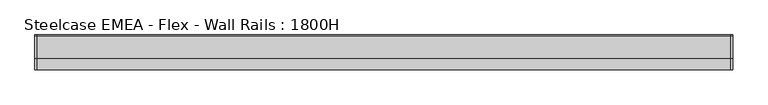
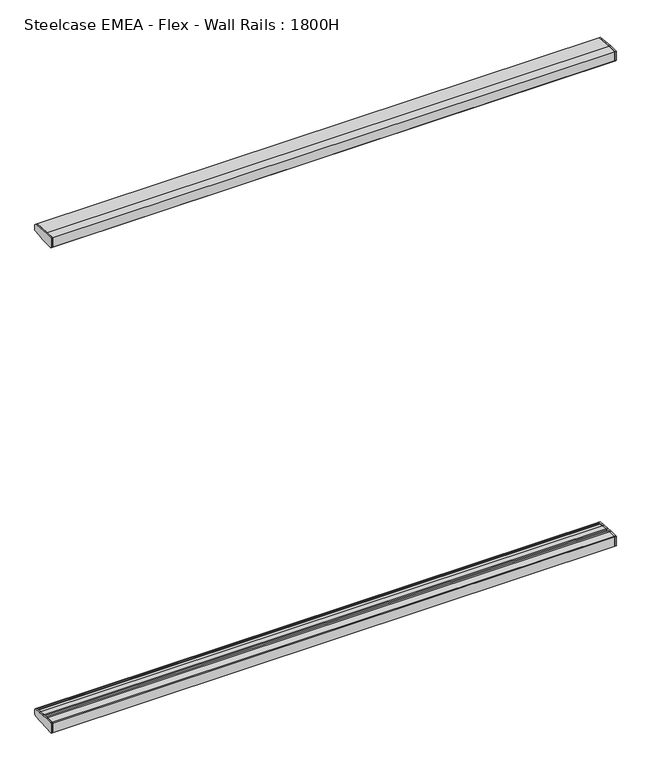
"""IFC4 building model written with IfcOpenShell, lengths in millimetres: furniture geometry, Steelcase EMEA - Flex - Wall Rails : 1800H."""

from ifc_helpers import new_model, si_unit, frame, origin, place, context, project, spatial, polyline, outline, extrude, source, transform, mapped, element, save


def steelcase_emea_flex_wall_rails_1800h_87147f91(model_context):
    return source(origin(), model_context, "Body", "SweptSolid", [
        extrude(outline(polyline([(29.748384, 494.399958), (50.3978144, 493.0470375), (73.1435844, 490.9657693), (98.0172056, 488.9021347), (99.9999601, 486.7480995), (99.9999601, 467.5239814), (95.5653908, 462.6914284), (31.7483991, 457.2), (0.0, 457.2), (0.0, 492.39833), (2.0015978, 494.399958), (29.748384, 494.399958)])), frame((2000.3467279, 0.0, 0.0), z_axis=(1.0, 0.0, 0.0), x_axis=(0.0, 1.0, 0.0)), (0.0, 0.0, 1.0), 5.0),
        extrude(outline(polyline([(29.748384, 2275.5875964), (2.0015978, 2275.5875964), (0.0, 2277.5892245), (0.0, 2312.7875545), (31.7483991, 2312.7875545), (95.5653908, 2307.2961261), (99.9999601, 2302.4635731), (99.9999601, 2283.239455), (98.0172056, 2281.0854198), (73.1435844, 2279.0217851), (50.3978144, 2276.9405169), (29.748384, 2275.5875964)])), frame((2000.3467279, 0.0, 0.0), z_axis=(1.0, 0.0, 0.0), x_axis=(0.0, 1.0, 0.0)), (0.0, 0.0, 1.0), 5.0),
        extrude(outline(polyline([(29.748384, 494.399958), (50.3978144, 493.0470375), (73.1435844, 490.9657693), (98.0172056, 488.9021347), (99.9999601, 486.7480995), (99.9999601, 467.5239814), (95.5653908, 462.6914284), (31.7483991, 457.2), (0.0, 457.2), (0.0, 492.39833), (2.0015978, 494.399958), (29.748384, 494.399958)])), frame((0.0, 0.0, 0.0), z_axis=(1.0, 0.0, 0.0), x_axis=(0.0, 1.0, 0.0)), (0.0, 0.0, 1.0), 5.0),
        extrude(outline(polyline([(29.748384, 2275.5875964), (2.0015978, 2275.5875964), (0.0, 2277.5892245), (0.0, 2312.7875545), (31.7483991, 2312.7875545), (95.5653908, 2307.2961261), (99.9999601, 2302.4635731), (99.9999601, 2283.239455), (98.0172056, 2281.0854198), (73.1435844, 2279.0217851), (50.3978144, 2276.9405169), (29.748384, 2275.5875964)])), frame((0.0, 0.0, 0.0), z_axis=(1.0, 0.0, 0.0), x_axis=(0.0, 1.0, 0.0)), (0.0, 0.0, 1.0), 5.0),
        extrude(outline(polyline([(0.0, 492.39833), (2.0015978, 494.399958), (29.748384, 494.399958), (31.7499758, 492.398336), (31.7499758, 484.9937772), (48.4030258, 484.9937772), (48.4030258, 491.016882), (50.3978144, 493.0470375), (73.1435844, 490.9657693), (75.1383233, 488.7986526), (75.1383227, 484.9937772), (91.9999735, 484.9937772), (91.9999743, 487.4118187), (93.9826847, 489.2368579), (98.0172056, 488.9021347), (99.9999598, 486.7480995), (99.9999606, 467.5239822), (95.5653908, 462.6914284), (31.7483991, 457.2), (0.0, 457.2), (0.0, 492.39833)])), frame((5.0, 0.0, 0.0), z_axis=(1.0, 0.0, 0.0), x_axis=(0.0, 1.0, 0.0)), (0.0, 0.0, 1.0), 1995.3467279),
        extrude(outline(polyline([(0.0, 2277.5892245), (0.0, 2312.7875545), (31.7483991, 2312.7875545), (95.5653908, 2307.2961261), (99.9999601, 2302.4635728), (99.9999601, 2283.2394553), (98.0172056, 2281.0854198), (93.9826847, 2280.7506966), (91.9999743, 2282.5757358), (91.9999735, 2284.9937772), (75.1383227, 2284.9937772), (75.1383233, 2281.1889019), (73.1435844, 2279.0217851), (50.3978144, 2276.9405169), (48.4030258, 2278.9706725), (48.4030258, 2284.9937772), (31.7499758, 2284.9937772), (31.7499758, 2277.5892185), (29.748384, 2275.5875964), (2.0015978, 2275.5875964), (0.0, 2277.5892245)])), frame((5.0, 0.0, 0.0), z_axis=(1.0, 0.0, 0.0), x_axis=(0.0, 1.0, 0.0)), (0.0, 0.0, 1.0), 1995.3467279),
    ])


if __name__ == "__main__":
    model = new_model("IFC4")
    model_context = context("Model", 3, world=origin())
    ifc_project = project(units=[si_unit("LENGTHUNIT", "METRE", prefix="MILLI")], contexts=[model_context])
    site = spatial("IfcSite", under=ifc_project)
    building = spatial("IfcBuilding", under=site)
    placement = place(None, origin())
    steelcase_emea_flex_wall_rails_1800h_shape = steelcase_emea_flex_wall_rails_1800h_87147f91(model_context)
    element("IfcFurniture", 1, ObjectType="Steelcase EMEA - Flex - Wall Rails : 1800H", at=placement, inside=building, context=model_context, shape_type="MappedRepresentation", body=[
        mapped(steelcase_emea_flex_wall_rails_1800h_shape, transform((0.0, 0.0, 0.0), x_axis=(1.0, 0.0, 0.0), y_axis=(0.0, 1.0, 0.0), z_axis=(0.0, 0.0, 1.0))),
    ])
    save(model, "model.ifc")
